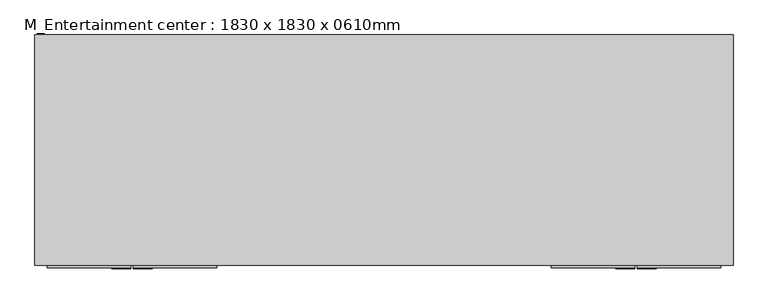
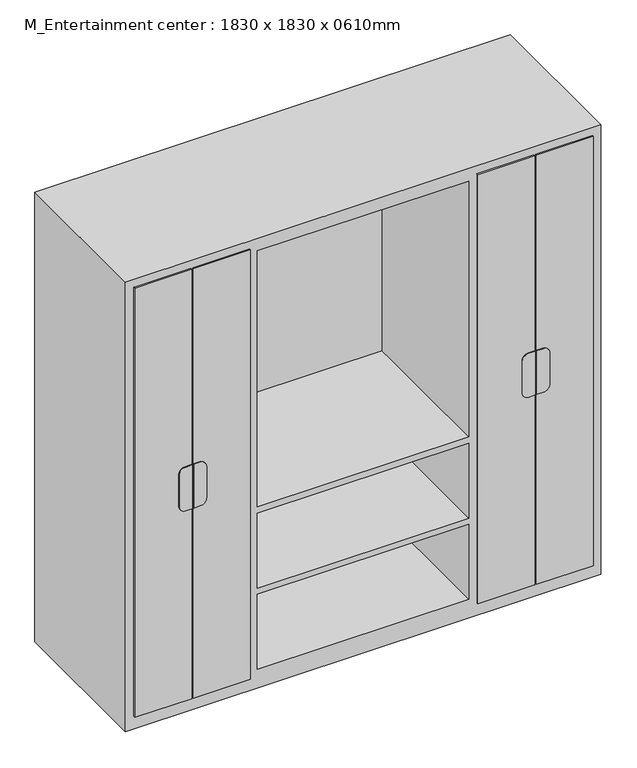
"""IFC4 building model written with IfcOpenShell, lengths in millimetres: furniture geometry, M_Entertainment center : 1830 x 1830 x 0610mm."""

from ifc_helpers import new_model, si_unit, point, frame, frame_2d, origin, place, context, project, spatial, polyline, circle_curve, trimmed, segment, composite_curve, outline, extrude, faceted_brep, source, transform, mapped, element, save


def m_entertainment_center_1830_x_1830_x_0610mm_f77a9b93(model_context):
    return source(origin(), model_context, "Body", "SolidModel", [
        faceted_brep([(915.0, -705.05, 0.0), (915.0, -705.05, 1830.0), (-915.0, -705.05, 1830.0), (-915.0, -705.05, 0.0), (-457.3, -705.05, 1779.2), (-457.3, -705.05, 1385.2), (-864.2, -705.05, 1385.2), (-864.2, -705.05, 1779.2), (-457.3, -705.05, 76.2), (-864.2, -705.05, 76.2), (-864.2, -705.05, 444.8), (-457.3, -705.05, 444.8), (864.2, -705.05, 1385.2), (457.3, -705.05, 1385.2), (457.3, -705.05, 1779.2), (864.2, -705.05, 1779.2), (-406.5, -705.05, 737.2), (-406.5, -705.05, 1779.2), (406.5, -705.05, 1779.2), (406.5, -705.05, 737.2), (406.5, -705.05, 76.2), (-406.5, -705.05, 76.2), (-406.5, -705.05, 381.3), (406.5, -705.05, 381.3), (864.2, -705.05, 76.2), (457.3, -705.05, 76.2), (457.3, -705.05, 444.8), (864.2, -705.05, 444.8), (-864.2, -705.05, 470.2), (-864.2, -705.05, 902.3), (-457.3, -705.05, 902.3), (-457.3, -705.05, 470.2), (-457.3, -705.05, 1359.8), (-457.3, -705.05, 927.7), (-864.2, -705.05, 927.7), (-864.2, -705.05, 1359.8), (457.3, -705.05, 1359.8), (864.2, -705.05, 1359.8), (864.2, -705.05, 927.7), (457.3, -705.05, 927.7), (457.3, -705.05, 902.3), (864.2, -705.05, 902.3), (864.2, -705.05, 470.2), (457.3, -705.05, 470.2), (406.5, -705.05, 406.7), (-406.5, -705.05, 406.7), (-406.5, -705.05, 711.8), (406.5, -705.05, 711.8), (915.0, -101.4, 0.0), (-915.0, -101.4, 0.0), (-915.0, -101.4, 1830.0), (915.0, -101.4, 1830.0), (-457.3, -126.8, 1779.2), (-457.3, -126.8, 1385.2), (-864.2, -126.8, 1385.2), (-864.2, -126.8, 1779.2), (-457.3, -126.8, 76.2), (-864.2, -126.8, 76.2), (-864.2, -126.8, 444.8), (-457.3, -126.8, 444.8), (864.2, -126.8, 1385.2), (457.3, -126.8, 1385.2), (457.3, -126.8, 1779.2), (864.2, -126.8, 1779.2), (-406.5, -126.8, 737.2), (-406.5, -126.8, 1779.2), (406.5, -126.8, 1779.2), (406.5, -126.8, 737.2), (406.5, -126.8, 76.2), (-406.5, -126.8, 76.2), (-406.5, -126.8, 381.3), (406.5, -126.8, 381.3), (864.2, -126.8, 76.2), (457.3, -126.8, 76.2), (457.3, -126.8, 444.8), (864.2, -126.8, 444.8), (-864.2, -126.8, 470.2), (-864.2, -126.8, 902.3), (-457.3, -126.8, 902.3), (-457.3, -126.8, 470.2), (-457.3, -126.8, 1359.8), (-457.3, -126.8, 927.7), (-864.2, -126.8, 927.7), (-864.2, -126.8, 1359.8), (457.3, -126.8, 1359.8), (864.2, -126.8, 1359.8), (864.2, -126.8, 927.7), (457.3, -126.8, 927.7), (457.3, -126.8, 902.3), (864.2, -126.8, 902.3), (864.2, -126.8, 470.2), (457.3, -126.8, 470.2), (406.5, -126.8, 406.7), (-406.5, -126.8, 406.7), (-406.5, -126.8, 711.8), (406.5, -126.8, 711.8)], [[[0, 1, 2, 3], [4, 5, 6, 7], [8, 9, 10, 11], [12, 13, 14, 15], [16, 17, 18, 19], [20, 21, 22, 23], [24, 25, 26, 27], [28, 29, 30, 31], [32, 33, 34, 35], [36, 37, 38, 39], [40, 41, 42, 43], [44, 45, 46, 47]], [[48, 49, 50, 51]], [[1, 0, 48, 51]], [[2, 1, 51, 50]], [[3, 2, 50, 49]], [[0, 3, 49, 48]], [[5, 4, 52, 53]], [[6, 5, 53, 54]], [[7, 6, 54, 55]], [[4, 7, 55, 52]], [[9, 8, 56, 57]], [[10, 9, 57, 58]], [[11, 10, 58, 59]], [[8, 11, 59, 56]], [[13, 12, 60, 61]], [[14, 13, 61, 62]], [[15, 14, 62, 63]], [[12, 15, 63, 60]], [[17, 16, 64, 65]], [[18, 17, 65, 66]], [[19, 18, 66, 67]], [[16, 19, 67, 64]], [[21, 20, 68, 69]], [[22, 21, 69, 70]], [[23, 22, 70, 71]], [[20, 23, 71, 68]], [[25, 24, 72, 73]], [[26, 25, 73, 74]], [[27, 26, 74, 75]], [[24, 27, 75, 72]], [[29, 28, 76, 77]], [[30, 29, 77, 78]], [[31, 30, 78, 79]], [[28, 31, 79, 76]], [[33, 32, 80, 81]], [[34, 33, 81, 82]], [[35, 34, 82, 83]], [[32, 35, 83, 80]], [[37, 36, 84, 85]], [[38, 37, 85, 86]], [[39, 38, 86, 87]], [[36, 39, 87, 84]], [[41, 40, 88, 89]], [[42, 41, 89, 90]], [[43, 42, 90, 91]], [[40, 43, 91, 88]], [[45, 44, 92, 93]], [[46, 45, 93, 94]], [[47, 46, 94, 95]], [[44, 47, 95, 92]], [[53, 52, 55, 54]], [[57, 56, 59, 58]], [[61, 60, 63, 62]], [[65, 64, 67, 66]], [[69, 68, 71, 70]], [[73, 72, 75, 74]], [[77, 76, 79, 78]], [[81, 80, 83, 82]], [[85, 84, 87, 86]], [[89, 88, 91, 90]], [[93, 92, 95, 94]]]),
        extrude(outline(composite_curve([segment(polyline([(1003.9, -633.3486452), (1003.9, -657.575), (826.1, -657.575), (826.1, -633.3486452)]), True, "CONTINUOUS"), segment(trimmed(circle_curve(frame_2d((851.5, -633.3486452)), 25.4), [point((826.1, -633.3486452))], [point((851.5, -607.9486452))], False, "CARTESIAN"), True, "CONTINUOUS"), segment(polyline([(851.5, -607.9486452), (978.5, -607.9486452)]), True, "CONTINUOUS"), segment(trimmed(circle_curve(frame_2d((978.5, -633.3486452)), 25.4), [point((978.5, -607.9486452))], [point((1003.9, -633.3486452))], False, "CARTESIAN"), True, "CONTINUOUS")], self_intersect=False)), frame((0.0, -714.575, 0.0), z_axis=(0.0, 1.0, 0.0), x_axis=(0.0, 0.0, 1.0)), (0.0, 0.0, 1.0), 3.175),
        extrude(outline(composite_curve([segment(trimmed(circle_curve(frame_2d((978.5, -688.53125)), 25.4), [point((1003.9, -688.53125))], [point((978.5, -713.93125))], False, "CARTESIAN"), True, "CONTINUOUS"), segment(polyline([(978.5, -713.93125), (851.5, -713.93125)]), True, "CONTINUOUS"), segment(trimmed(circle_curve(frame_2d((851.5, -688.53125)), 25.4), [point((851.5, -713.93125))], [point((826.1, -688.53125))], False, "CARTESIAN"), True, "CONTINUOUS"), segment(polyline([(826.1, -688.53125), (826.1, -663.925), (1003.9, -663.925), (1003.9, -688.53125)]), True, "CONTINUOUS")], self_intersect=False)), frame((0.0, -714.575, 0.0), z_axis=(0.0, 1.0, 0.0), x_axis=(0.0, 0.0, 1.0)), (0.0, 0.0, 1.0), 3.175),
        extrude(outline(composite_curve([segment(trimmed(circle_curve(frame_2d((978.5, 633.3486452)), 25.4), [point((1003.9, 633.3486452))], [point((978.5, 607.9486452))], False, "CARTESIAN"), True, "CONTINUOUS"), segment(polyline([(978.5, 607.9486452), (851.5, 607.9486452)]), True, "CONTINUOUS"), segment(trimmed(circle_curve(frame_2d((851.5, 633.3486452)), 25.4), [point((851.5, 607.9486452))], [point((826.1, 633.3486452))], False, "CARTESIAN"), True, "CONTINUOUS"), segment(polyline([(826.1, 633.3486452), (826.1, 657.575), (1003.9, 657.575), (1003.9, 633.3486452)]), True, "CONTINUOUS")], self_intersect=False)), frame((0.0, -714.575, 0.0), z_axis=(0.0, 1.0, 0.0), x_axis=(0.0, 0.0, 1.0)), (0.0, 0.0, 1.0), 3.175),
        extrude(outline(composite_curve([segment(polyline([(1003.9, 688.53125), (1003.9, 663.925), (826.1, 663.925), (826.1, 688.53125)]), True, "CONTINUOUS"), segment(trimmed(circle_curve(frame_2d((851.5, 688.53125)), 25.4), [point((826.1, 688.53125))], [point((851.5, 713.93125))], False, "CARTESIAN"), True, "CONTINUOUS"), segment(polyline([(851.5, 713.93125), (978.5, 713.93125)]), True, "CONTINUOUS"), segment(trimmed(circle_curve(frame_2d((978.5, 688.53125)), 25.4), [point((978.5, 713.93125))], [point((1003.9, 688.53125))], False, "CARTESIAN"), True, "CONTINUOUS")], self_intersect=False)), frame((0.0, -714.575, 0.0), z_axis=(0.0, 1.0, 0.0), x_axis=(0.0, 0.0, 1.0)), (0.0, 0.0, 1.0), 3.175),
        extrude(outline(polyline([(-883.25, -705.05), (-663.925, -705.05), (-663.925, -711.4), (-883.25, -711.4), (-883.25, -705.05)])), frame((0.0, 0.0, 50.8), z_axis=(0.0, 0.0, 1.0), x_axis=(1.0, 0.0, 0.0)), (0.0, 0.0, 1.0), 1747.45),
        extrude(outline(polyline([(-657.575, -705.05), (-438.25, -705.05), (-438.25, -711.4), (-657.575, -711.4), (-657.575, -705.05)])), frame((0.0, 0.0, 50.8), z_axis=(0.0, 0.0, 1.0), x_axis=(1.0, 0.0, 0.0)), (0.0, 0.0, 1.0), 1747.45),
        extrude(outline(polyline([(663.925, -705.05), (883.25, -705.05), (883.25, -711.4), (663.925, -711.4), (663.925, -705.05)])), frame((0.0, 0.0, 50.8), z_axis=(0.0, 0.0, 1.0), x_axis=(1.0, 0.0, 0.0)), (0.0, 0.0, 1.0), 1747.45),
        extrude(outline(polyline([(438.25, -705.05), (657.575, -705.05), (657.575, -711.4), (438.25, -711.4), (438.25, -705.05)])), frame((0.0, 0.0, 50.8), z_axis=(0.0, 0.0, 1.0), x_axis=(1.0, 0.0, 0.0)), (0.0, 0.0, 1.0), 1747.45),
    ])


if __name__ == "__main__":
    model = new_model("IFC4")
    model_context = context("Model", 3, world=origin())
    ifc_project = project(units=[si_unit("LENGTHUNIT", "METRE", prefix="MILLI")], contexts=[model_context])
    site = spatial("IfcSite", under=ifc_project)
    building = spatial("IfcBuilding", under=site)
    placement = place(None, origin())
    m_entertainment_center_1830_x_1830_x_0610mm_shape = m_entertainment_center_1830_x_1830_x_0610mm_f77a9b93(model_context)
    element("IfcFurniture", 1, ObjectType="M_Entertainment center : 1830 x 1830 x 0610mm", at=placement, inside=building, context=model_context, shape_type="MappedRepresentation", body=[
        mapped(m_entertainment_center_1830_x_1830_x_0610mm_shape, transform((0.0, 0.0, 0.0), x_axis=(1.0, 0.0, 0.0), y_axis=(0.0, 1.0, 0.0), z_axis=(0.0, 0.0, 1.0))),
    ])
    save(model, "model.ifc")
